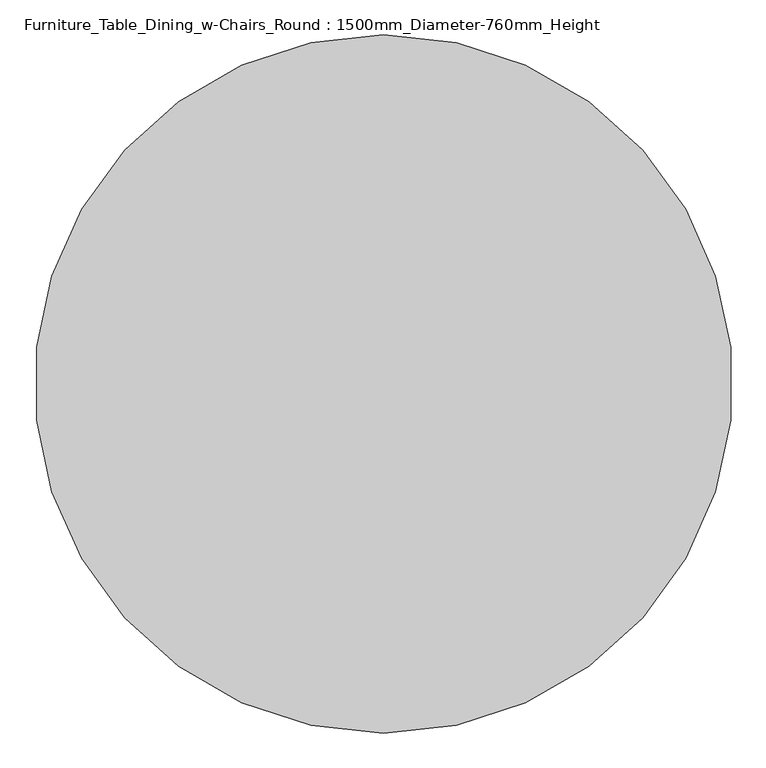
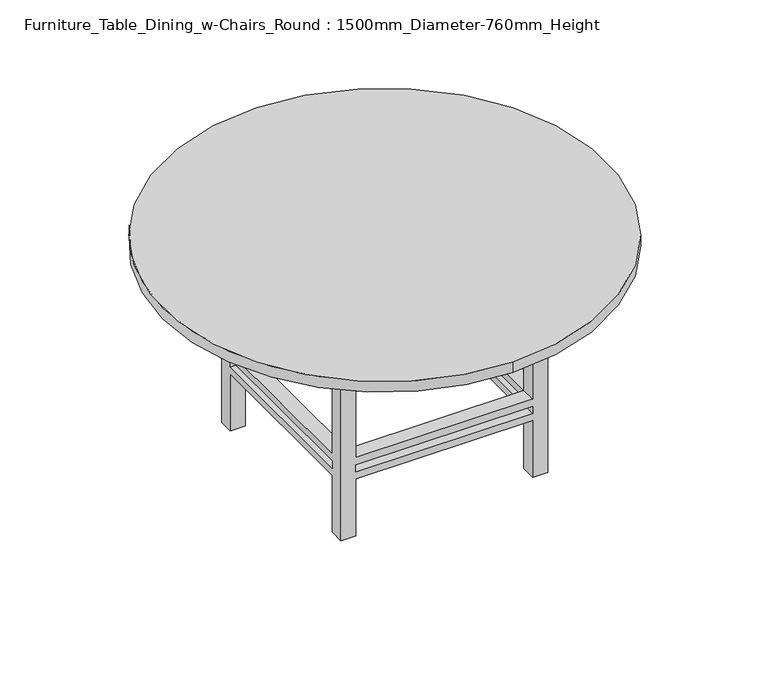
"""IFC4 building model written with IfcOpenShell, lengths in millimetres: furniture geometry, Furniture_Table_Dining_w-Chairs_Round : 1500mm_Diameter-760mm_Height."""

import ifcopenshell
import ifcopenshell.guid

model = None  # the IFC model being written
_history = None  # IfcOwnerHistory: only IFC2X3 demands one
_inside = {}  # id of a spatial element -> (the spatial element, [elements in it])
_under = {}  # id of a project, library or spatial element -> (it, [spatial elements below it])
_declared = {}  # id of a project -> (the project, [libraries it declares])
_typed = {}  # id of a type object -> (the type object, [elements of that type])
_made_of = {}  # id of a material, layer set ... -> (it, [elements and type objects made of it])


def new_model(schema):
    """Start an empty IFC model of exactly this schema.

    Asked for "IFC4X3", IfcOpenShell would pick the latest addendum, in which some entities
    have other attributes; the version numbers below select the first issue.
    IFC2X3 requires an IfcOwnerHistory on every rooted entity: one is made here for all.
    """
    global model, _history
    if schema == "IFC4X3":
        model = ifcopenshell.file(schema_version=(4, 3, 0, 0))
    else:
        model = ifcopenshell.file(schema=schema)
    _inside.clear()
    _under.clear()
    _declared.clear()
    _typed.clear()
    _made_of.clear()
    _history = None
    if model.schema == "IFC2X3":
        org = make("IfcOrganization", Name="unknown")
        user = make(
            "IfcPersonAndOrganization",
            ThePerson=make("IfcPerson", FamilyName="unknown"),
            TheOrganization=org,
        )
        app = make(
            "IfcApplication",
            ApplicationDeveloper=org,
            Version="unknown",
            ApplicationFullName="unknown",
            ApplicationIdentifier="unknown",
        )
        _history = make(
            "IfcOwnerHistory",
            OwningUser=user,
            OwningApplication=app,
            ChangeAction="ADDED",
            CreationDate=0,
        )
    return model


def make(cls, **values):
    """One entity of the class cls with the attributes given. An attribute that is None is left unset."""
    return model.create_entity(
        cls, **{name: value for name, value in values.items() if value is not None}
    )


def rooted(cls, **values):
    """An entity with a GlobalId (a new one), such as an element, a storey or a relation."""
    return make(cls, GlobalId=ifcopenshell.guid.new(), OwnerHistory=_history, **values)


def si_unit(unit_type, name, prefix=None):
    """IfcSIUnit, for example si_unit("LENGTHUNIT", "METRE", prefix="MILLI")."""
    return make("IfcSIUnit", UnitType=unit_type, Prefix=prefix, Name=name)


def assignment(units):
    """IfcUnitAssignment: the units of a project."""
    return None if units is None else make("IfcUnitAssignment", Units=units)


def point(xyz):
    """IfcCartesianPoint."""
    return None if xyz is None else make("IfcCartesianPoint", Coordinates=xyz)


def direction(xyz):
    """IfcDirection."""
    return None if xyz is None else make("IfcDirection", DirectionRatios=xyz)


def frame(location, z_axis=None, x_axis=None):
    """IfcAxis2Placement3D, a coordinate frame: its origin and axes. An axis left out is left unset."""
    return make(
        "IfcAxis2Placement3D",
        Location=point(location),
        Axis=direction(z_axis),
        RefDirection=direction(x_axis),
    )


def frame_2d(location, x_axis=None):
    """IfcAxis2Placement2D, a coordinate frame in the plane: its origin and x axis."""
    return make(
        "IfcAxis2Placement2D", Location=point(location), RefDirection=direction(x_axis)
    )


def origin():
    """The frame at (0, 0, 0) with its axes left unset."""
    return frame((0.0, 0.0, 0.0))


def place(relative_to, where):
    """IfcLocalPlacement: puts the frame where relative to a parent placement (None: the world)."""
    return make(
        "IfcLocalPlacement", PlacementRelTo=relative_to, RelativePlacement=where
    )


def context(
    kind, dimensions, precision=None, world=None, true_north=None, identifier=None
):
    """IfcGeometricRepresentationContext, for example the 3D "Model" context."""
    return make(
        "IfcGeometricRepresentationContext",
        ContextIdentifier=identifier,
        ContextType=kind,
        CoordinateSpaceDimension=dimensions,
        Precision=precision,
        WorldCoordinateSystem=world,
        TrueNorth=true_north,
    )


def project(units=None, contexts=None):
    """IfcProject with its units and contexts."""
    return rooted(
        "IfcProject",
        Name="project",
        RepresentationContexts=contexts,
        UnitsInContext=assignment(units),
    )


def spatial(cls, under=None, at=None, **own):
    """A site, building, storey or space (cls), placed at a placement, below another one or the project."""
    s = rooted(cls, ObjectPlacement=at, **own)
    if under is not None:
        _under.setdefault(under.id(), (under, []))[1].append(s)
    return s


def polyline(points):
    """IfcPolyline through the points."""
    return make("IfcPolyline", Points=[point(p) for p in points])


def circle_curve(where, radius):
    """IfcCircle in the frame where."""
    return make("IfcCircle", Position=where, Radius=radius)


def trimmed(basis, trim1, trim2, sense, master):
    """IfcTrimmedCurve: the piece of a basis curve between two trims."""
    return make(
        "IfcTrimmedCurve",
        BasisCurve=basis,
        Trim1=trim1,
        Trim2=trim2,
        SenseAgreement=sense,
        MasterRepresentation=master,
    )


def segment(curve, same_sense, transition):
    """IfcCompositeCurveSegment."""
    return make(
        "IfcCompositeCurveSegment",
        Transition=transition,
        SameSense=same_sense,
        ParentCurve=curve,
    )


def composite_curve(segments, self_intersect=None):
    """IfcCompositeCurve: segments joined end to end."""
    return make("IfcCompositeCurve", Segments=segments, SelfIntersect=self_intersect)


def outline(outer, holes=None, kind="AREA"):
    """IfcArbitraryClosedProfileDef: a profile drawn as a closed curve; with holes, ...WithVoids."""
    if holes is None:
        return make("IfcArbitraryClosedProfileDef", ProfileType=kind, OuterCurve=outer)
    return make(
        "IfcArbitraryProfileDefWithVoids",
        ProfileType=kind,
        OuterCurve=outer,
        InnerCurves=holes,
    )


def extrude(swept, where, along, depth):
    """IfcExtrudedAreaSolid: the profile swept, set in the frame where, extruded along a direction by depth."""
    return make(
        "IfcExtrudedAreaSolid",
        SweptArea=swept,
        Position=where,
        ExtrudedDirection=direction(along),
        Depth=depth,
    )


def faces_of(points, faces, orient=None, outer=None):
    """IfcFace entities. A face is a list of loops; a loop is a list of indices into points, from 0.

    orient and outer hold one flag for each loop. By default every Orientation is true, the
    first loop of a face is its IfcFaceOuterBound and the others are IfcFaceBound.
    """
    made = []
    for i, loops in enumerate(faces):
        bounds = []
        for j, loop in enumerate(loops):
            is_outer = j == 0 if outer is None else outer[i][j]
            bounds.append(
                make(
                    "IfcFaceOuterBound" if is_outer else "IfcFaceBound",
                    Bound=make("IfcPolyLoop", Polygon=[points[k] for k in loop]),
                    Orientation=True if orient is None else orient[i][j],
                )
            )
        made.append(make("IfcFace", Bounds=bounds))
    return made


def faceted_brep(points, faces, orient=None, outer=None, voids=None):
    """IfcFacetedBrep: a solid bounded by flat faces; with voids (closed shells), ...WithVoids."""
    shared = [point(p) for p in points]
    hull = make("IfcClosedShell", CfsFaces=faces_of(shared, faces, orient, outer))
    if voids is None:
        return make("IfcFacetedBrep", Outer=hull)
    return make(
        "IfcFacetedBrepWithVoids",
        Outer=hull,
        Voids=[
            make(cls, CfsFaces=faces_of(shared, fs, o, b)) for cls, fs, o, b in voids
        ],
    )


def shape(context_of_items, identifier, shape_type, items):
    """IfcShapeRepresentation: the items that make up one representation, for example the "Body"."""
    return make(
        "IfcShapeRepresentation",
        ContextOfItems=context_of_items,
        RepresentationIdentifier=identifier,
        RepresentationType=shape_type,
        Items=items,
    )


def source(mapping_origin, context_of_items, identifier, shape_type, items):
    """IfcRepresentationMap: a shape defined once, which mapped items show again and again."""
    return make(
        "IfcRepresentationMap",
        MappingOrigin=mapping_origin,
        MappedRepresentation=shape(context_of_items, identifier, shape_type, items),
    )


def transform(
    local_origin,
    x_axis=None,
    y_axis=None,
    z_axis=None,
    scale=None,
    scale2=None,
    scale3=None,
    uniform=True,
):
    """IfcCartesianTransformationOperator3D, or its non-uniform kind. x_axis, y_axis, z_axis: its Axis1, 2, 3."""
    if uniform:
        return make(
            "IfcCartesianTransformationOperator3D",
            Axis1=direction(x_axis),
            Axis2=direction(y_axis),
            LocalOrigin=point(local_origin),
            Scale=scale,
            Axis3=direction(z_axis),
        )
    return make(
        "IfcCartesianTransformationOperator3DnonUniform",
        Axis1=direction(x_axis),
        Axis2=direction(y_axis),
        LocalOrigin=point(local_origin),
        Scale=scale,
        Axis3=direction(z_axis),
        Scale2=scale2,
        Scale3=scale3,
    )


def mapped(mapping_source, mapping_target):
    """IfcMappedItem: shows the shape of a source again, moved by a transform."""
    return make(
        "IfcMappedItem", MappingSource=mapping_source, MappingTarget=mapping_target
    )


def made_of(thing, what):
    """Note that an element or type object is made of a material, layer set ...; save() writes the relation."""
    if what is not None:
        _made_of.setdefault(what.id(), (what, []))[1].append(thing)
    return thing


def element(
    cls,
    number,
    at=None,
    inside=None,
    cuts=None,
    type_object=None,
    material=None,
    context=None,
    identifier="Body",
    shape_type=None,
    held_by="IfcProductDefinitionShape",
    body=None,
    shapes=None,
    **own,
):
    """One element of the class cls, such as IfcWall. Its Tag is "e" and its number.

    at: its placement. inside: the storey or other place that contains it. cuts: it is an
    opening in that element (IfcRelVoidsElement). A single representation is given by context,
    identifier, shape_type and body (its items); several are given by shapes. held_by: the class
    of the entity that holds the representations. save() writes the other relations.
    """
    e = rooted(cls, Tag="e%d" % number, ObjectPlacement=at, **own)
    if body is not None:
        shapes = [shape(context, identifier, shape_type, body)]
    if shapes is not None:
        e.Representation = make(held_by, Representations=shapes)
    if inside is not None:
        _inside.setdefault(inside.id(), (inside, []))[1].append(e)
    if cuts is not None:
        rooted(
            "IfcRelVoidsElement", RelatingBuildingElement=cuts, RelatedOpeningElement=e
        )
    if type_object is not None:
        _typed.setdefault(type_object.id(), (type_object, []))[1].append(e)
    return made_of(e, material)


def aggregate(whole, parts):
    """IfcRelAggregates: a whole, such as a stair, and the parts it consists of."""
    return rooted("IfcRelAggregates", RelatingObject=whole, RelatedObjects=parts)


def save(model, path):
    """Write the relations noted so far, then the file.

    IfcRelAggregates (storeys below a building ...), IfcRelContainedInSpatialStructure (elements
    in a storey), IfcRelDefinesByType, IfcRelAssociatesMaterial and IfcRelDeclares: one each for
    every whole, place, type object, material and project.
    """
    for whole, parts in _under.values():
        aggregate(whole, parts)
    for where, things in _inside.values():
        rooted(
            "IfcRelContainedInSpatialStructure",
            RelatedElements=things,
            RelatingStructure=where,
        )
    for kind, things in _typed.values():
        rooted("IfcRelDefinesByType", RelatedObjects=things, RelatingType=kind)
    for what, things in _made_of.values():
        rooted("IfcRelAssociatesMaterial", RelatedObjects=things, RelatingMaterial=what)
    for by, libraries in _declared.values():
        rooted("IfcRelDeclares", RelatingContext=by, RelatedDefinitions=libraries)
    model.write(path)


def furniture_table_dining_w_chairs_round_1500mm_diameter_760mm_86cdb86e(model_context):
    return source(origin(), model_context, "Body", "SolidModel", [
        faceted_brep([(-195.1180328, 164.7213115, 645.7), (-245.9180328, 164.7213115, 645.7), (-245.9180328, 113.9213115, 645.7), (-195.1180328, 113.9213115, 645.7), (402.4819672, 164.7213115, 645.7), (402.4819672, 113.9213115, 645.7), (453.2819672, 113.9213115, 645.7), (453.2819672, 164.7213115, 645.7), (402.4819672, -534.4786885, 645.7), (453.2819672, -534.4786885, 645.7), (453.2819672, -483.6786885, 645.7), (402.4819672, -483.6786885, 645.7), (-195.1180328, -534.4786885, 645.7), (-195.1180328, -483.6786885, 645.7), (-245.9180328, -483.6786885, 645.7), (-245.9180328, -534.4786885, 645.7), (-195.1180328, 164.7213115, 0.0), (-195.1180328, 113.9213115, 0.0), (-245.9180328, 113.9213115, 0.0), (-245.9180328, 164.7213115, 0.0), (402.4819672, 164.7213115, 0.0), (453.2819672, 164.7213115, 0.0), (453.2819672, 113.9213115, 0.0), (402.4819672, 113.9213115, 0.0), (402.4819672, -534.4786885, 0.0), (402.4819672, -483.6786885, 0.0), (453.2819672, -483.6786885, 0.0), (453.2819672, -534.4786885, 0.0), (-195.1180328, -534.4786885, 0.0), (-245.9180328, -534.4786885, 0.0), (-245.9180328, -483.6786885, 0.0), (-195.1180328, -483.6786885, 0.0), (-195.1180328, 164.7213115, 279.4), (402.4819672, 164.7213115, 279.4), (402.4819672, 164.7213115, 203.2), (-195.1180328, 164.7213115, 203.2), (402.4819672, 164.7213115, 228.6), (402.4819672, 164.7213115, 254.0), (-195.1180328, 164.7213115, 254.0), (-195.1180328, 164.7213115, 228.6), (-245.9180328, 113.9213115, 203.2), (-245.9180328, -483.6786885, 203.2), (-245.9180328, -483.6786885, 279.4), (-245.9180328, 113.9213115, 279.4), (-245.9180328, 113.9213115, 228.6), (-245.9180328, 113.9213115, 254.0), (-245.9180328, -483.6786885, 254.0), (-245.9180328, -483.6786885, 228.6), (-195.1180328, 113.9213115, 279.4), (-195.1180328, 113.9213115, 203.2), (-195.1180328, 113.9213115, 228.6), (-195.1180328, 113.9213115, 254.0), (402.4819672, 113.9213115, 279.4), (402.4819672, 113.9213115, 203.2), (402.4819672, 113.9213115, 228.6), (402.4819672, 113.9213115, 254.0), (453.2819672, 113.9213115, 279.4), (453.2819672, 113.9213115, 203.2), (453.2819672, 113.9213115, 228.6), (453.2819672, 113.9213115, 254.0), (453.2819672, -483.6786885, 279.4), (453.2819672, -483.6786885, 203.2), (453.2819672, -483.6786885, 228.6), (453.2819672, -483.6786885, 254.0), (402.4819672, -534.4786885, 279.4), (-195.1180328, -534.4786885, 279.4), (-195.1180328, -534.4786885, 203.2), (402.4819672, -534.4786885, 203.2), (-195.1180328, -534.4786885, 228.6), (-195.1180328, -534.4786885, 254.0), (402.4819672, -534.4786885, 254.0), (402.4819672, -534.4786885, 228.6), (402.4819672, -483.6786885, 279.4), (402.4819672, -483.6786885, 203.2), (402.4819672, -483.6786885, 228.6), (402.4819672, -483.6786885, 254.0), (-195.1180328, -483.6786885, 279.4), (-195.1180328, -483.6786885, 203.2), (-195.1180328, -483.6786885, 228.6), (-195.1180328, -483.6786885, 254.0)], [[[0, 1, 2, 3]], [[4, 5, 6, 7]], [[8, 9, 10, 11]], [[12, 13, 14, 15]], [[16, 17, 18, 19]], [[20, 21, 22, 23]], [[24, 25, 26, 27]], [[28, 29, 30, 31]], [[1, 0, 32, 33, 4, 7, 21, 20, 34, 35, 16, 19], [36, 37, 38, 39]], [[2, 1, 19, 18, 40, 41, 30, 29, 15, 14, 42, 43], [44, 45, 46, 47]], [[3, 2, 43, 48]], [[18, 17, 49, 40]], [[44, 50, 51, 45]], [[0, 3, 48, 32]], [[17, 16, 35, 49]], [[50, 39, 38, 51]], [[5, 4, 33, 52]], [[20, 23, 53, 34]], [[36, 54, 55, 37]], [[6, 5, 52, 56]], [[23, 22, 57, 53]], [[54, 58, 59, 55]], [[21, 7, 6, 56, 60, 10, 9, 27, 26, 61, 57, 22], [62, 63, 59, 58]], [[27, 9, 8, 64, 65, 12, 15, 29, 28, 66, 67, 24], [68, 69, 70, 71]], [[11, 10, 60, 72]], [[26, 25, 73, 61]], [[62, 74, 75, 63]], [[8, 11, 72, 64]], [[25, 24, 67, 73]], [[74, 71, 70, 75]], [[13, 12, 65, 76]], [[28, 31, 77, 66]], [[68, 78, 79, 69]], [[14, 13, 76, 42]], [[31, 30, 41, 77]], [[78, 47, 46, 79]], [[54, 74, 62, 58]], [[74, 78, 68, 71]], [[78, 50, 44, 47]], [[50, 54, 36, 39]], [[53, 49, 35, 34]], [[49, 77, 41, 40]], [[77, 73, 67, 66]], [[73, 53, 57, 61]], [[74, 54, 53, 73]], [[78, 74, 73, 77]], [[50, 78, 77, 49]], [[54, 50, 49, 53]], [[52, 72, 60, 56]], [[72, 76, 65, 64]], [[76, 48, 43, 42]], [[48, 52, 33, 32]], [[55, 51, 38, 37]], [[51, 79, 46, 45]], [[79, 75, 70, 69]], [[75, 55, 59, 63]], [[72, 52, 55, 75]], [[76, 72, 75, 79]], [[48, 76, 79, 51]], [[52, 48, 51, 55]]]),
        extrude(outline(polyline([(478.6819672, 190.1213115), (478.6819672, -559.8786885), (-271.3180328, -559.8786885), (-271.3180328, 190.1213115), (478.6819672, 190.1213115)]), holes=[polyline([(453.2819672, 164.7213115), (-245.9180328, 164.7213115), (-245.9180328, -534.4786885), (453.2819672, -534.4786885), (453.2819672, 164.7213115)])]), frame((0.0, 0.0, 645.7), z_axis=(0.0, 0.0, 1.0), x_axis=(1.0, 0.0, 0.0)), (0.0, 0.0, 1.0), 76.2),
        extrude(outline(composite_curve([segment(trimmed(circle_curve(frame_2d((103.6819672, -184.8786885)), 750.0), [point((103.6819672, -934.8786885))], [point((103.6819672, 565.1213115))], False, "CARTESIAN"), True, "CONTINUOUS"), segment(trimmed(circle_curve(frame_2d((103.6819672, -184.8786885)), 750.0), [point((103.6819672, 565.1213115))], [point((103.6819672, -934.8786885))], False, "CARTESIAN"), True, "CONTINUOUS")], self_intersect=False)), frame((0.0, 0.0, 721.9), z_axis=(0.0, 0.0, 1.0), x_axis=(1.0, 0.0, 0.0)), (0.0, 0.0, 1.0), 38.1),
    ])


if __name__ == "__main__":
    model = new_model("IFC4")
    model_context = context("Model", 3, world=origin())
    ifc_project = project(units=[si_unit("LENGTHUNIT", "METRE", prefix="MILLI")], contexts=[model_context])
    site = spatial("IfcSite", under=ifc_project)
    building = spatial("IfcBuilding", under=site)
    placement = place(None, origin())
    furniture_table_dining_w_chairs_round_1500mm_diameter_760mm_shape = furniture_table_dining_w_chairs_round_1500mm_diameter_760mm_86cdb86e(model_context)
    element("IfcFurniture", 1, ObjectType="Furniture_Table_Dining_w-Chairs_Round : 1500mm_Diameter-760mm_Height", at=placement, inside=building, context=model_context, shape_type="MappedRepresentation", body=[
        mapped(furniture_table_dining_w_chairs_round_1500mm_diameter_760mm_shape, transform((0.0, 0.0, 0.0), x_axis=(1.0, 0.0, 0.0), y_axis=(0.0, 1.0, 0.0), z_axis=(0.0, 0.0, 1.0))),
    ])
    save(model, "model.ifc")
